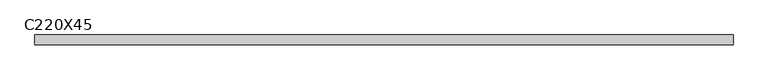
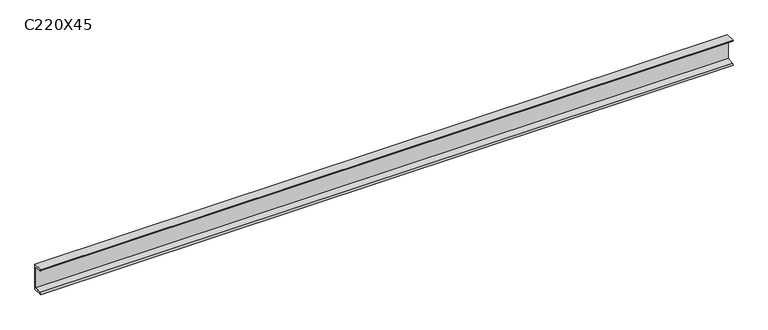
"""IFC4 building model written with IfcOpenShell, lengths in millimetres: beam geometry, C220X45."""

from ifc_helpers import new_model, si_unit, point, frame, frame_2d, origin, place, context, project, spatial, polyline, circle_curve, trimmed, segment, composite_curve, outline, extrude, source, transform, mapped, element, save


def c220x45_599d39dd(model_context):
    return source(origin(), model_context, "Body", "SweptSolid", [
        extrude(outline(composite_curve([segment(polyline([(17.0, 110.0), (17.0, -110.0), (-64.0, -110.0)]), True, "CONTINUOUS"), segment(trimmed(circle_curve(frame_2d((-51.0, -110.0)), 13.0), [point((-64.0, -110.0))], [point((-51.0, -97.0))], False, "CARTESIAN"), True, "CONTINUOUS"), segment(polyline([(-51.0, -97.0), (4.0, -88.2888558), (4.0, 88.2888558), (-51.0, 97.0)]), True, "CONTINUOUS"), segment(trimmed(circle_curve(frame_2d((-51.0, 110.0)), 13.0), [point((-51.0, 97.0))], [point((-64.0, 110.0))], False, "CARTESIAN"), True, "CONTINUOUS"), segment(polyline([(-64.0, 110.0), (17.0, 110.0)]), True, "CONTINUOUS")], self_intersect=False)), frame((-2918.2279835, 0.0, 0.0), z_axis=(1.0, 0.0, 0.0), x_axis=(0.0, 1.0, 0.0)), (0.0, 0.0, 1.0), 5771.7279835),
    ])


if __name__ == "__main__":
    model = new_model("IFC4")
    model_context = context("Model", 3, world=origin())
    ifc_project = project(units=[si_unit("LENGTHUNIT", "METRE", prefix="MILLI")], contexts=[model_context])
    site = spatial("IfcSite", under=ifc_project)
    building = spatial("IfcBuilding", under=site)
    placement = place(None, origin())
    c220x45_shape = c220x45_599d39dd(model_context)
    element("IfcBeam", 1, ObjectType="C220X45", at=placement, inside=building, context=model_context, shape_type="MappedRepresentation", body=[
        mapped(c220x45_shape, transform((0.0, 0.0, 0.0), x_axis=(1.0, 0.0, 0.0), y_axis=(0.0, 1.0, 0.0), z_axis=(0.0, 0.0, 1.0))),
    ])
    save(model, "model.ifc")
